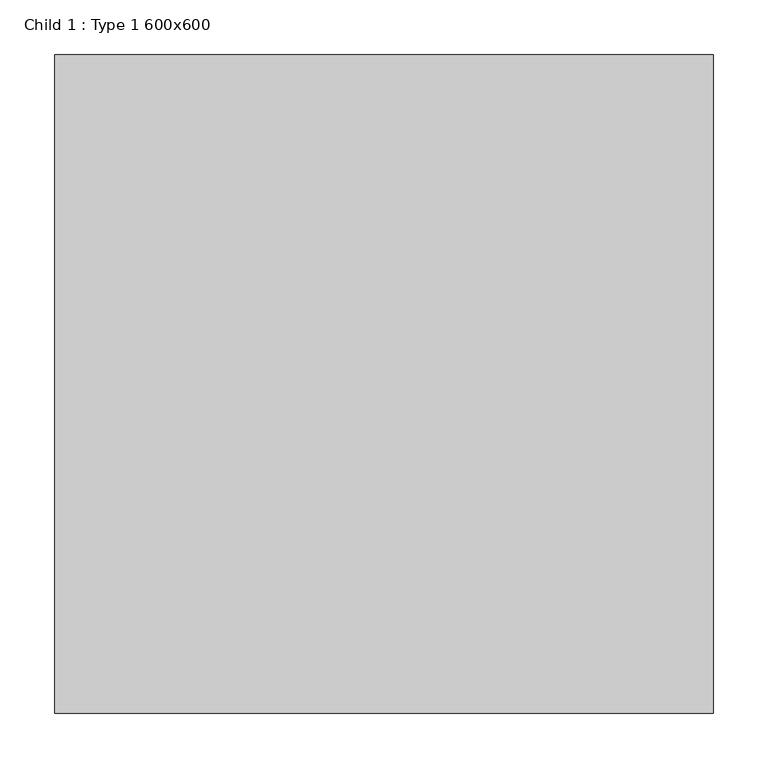
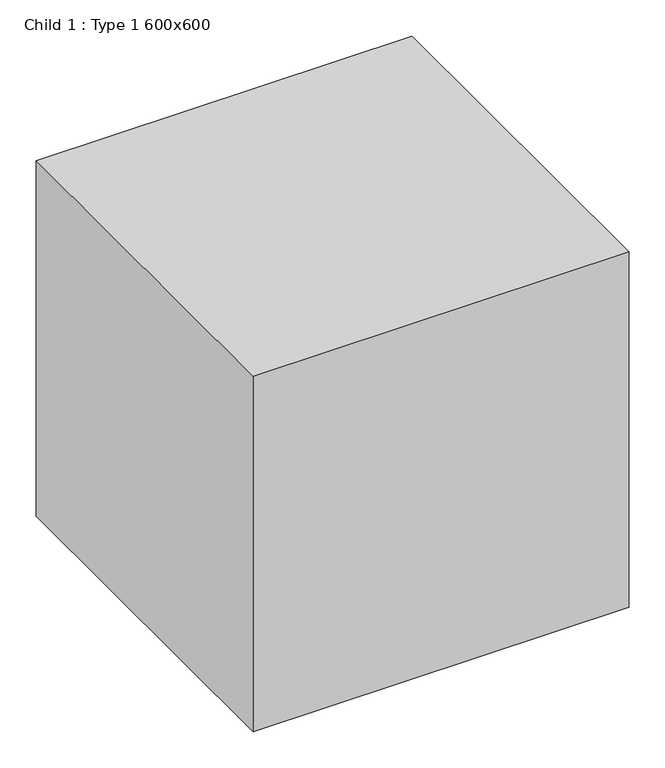
"""IFC4 building model written with IfcOpenShell, lengths in millimetres: proxy geometry, Child 1 : Type 1 600x600."""

from ifc_helpers import new_model, si_unit, origin, origin_with_axes, place, context, project, spatial, polyline, outline, extrude, source, transform, mapped, element, save


def child_1_type_1_600x600_497d01fa(model_context):
    return source(origin(), model_context, "Body", "SweptSolid", [
        extrude(outline(polyline([(300.0, 300.0), (300.0, -300.0), (-300.0, -300.0), (-300.0, 300.0), (300.0, 300.0)])), origin_with_axes(), (0.0, 0.0, 1.0), 600.0),
    ])


if __name__ == "__main__":
    model = new_model("IFC4")
    model_context = context("Model", 3, world=origin())
    ifc_project = project(units=[si_unit("LENGTHUNIT", "METRE", prefix="MILLI")], contexts=[model_context])
    site = spatial("IfcSite", under=ifc_project)
    building = spatial("IfcBuilding", under=site)
    placement = place(None, origin())
    child_1_type_1_600x600_shape = child_1_type_1_600x600_497d01fa(model_context)
    element("IfcBuildingElementProxy", 1, Name="Child 1 : Type 1 600x600", ObjectType="Child 1 : Type 1 600x600", at=placement, inside=building, context=model_context, shape_type="MappedRepresentation", body=[
        mapped(child_1_type_1_600x600_shape, transform((0.0, 0.0, 0.0), x_axis=(1.0, 0.0, 0.0), y_axis=(0.0, 1.0, 0.0), z_axis=(0.0, 0.0, 1.0))),
    ])
    save(model, "model.ifc")
